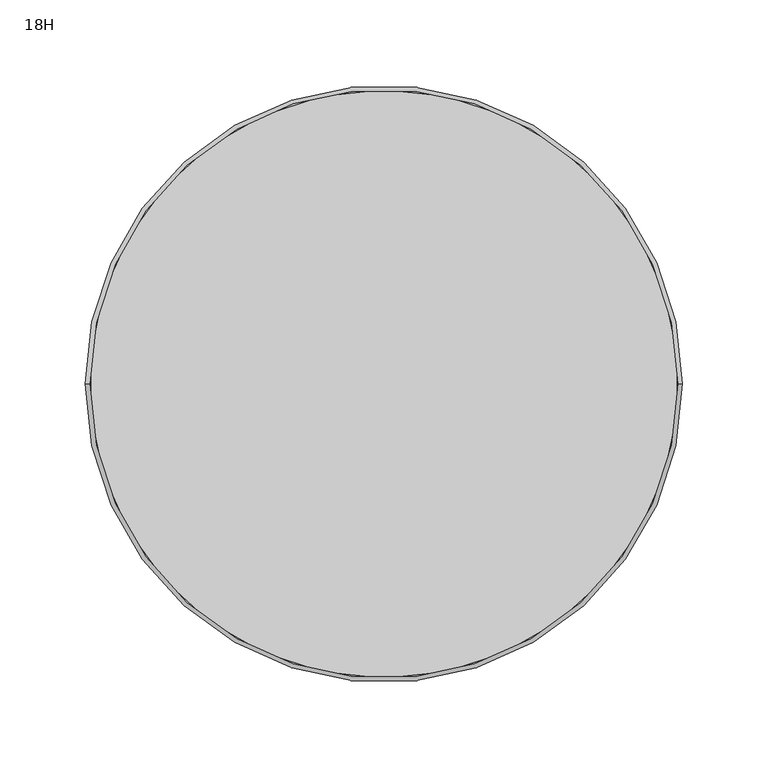
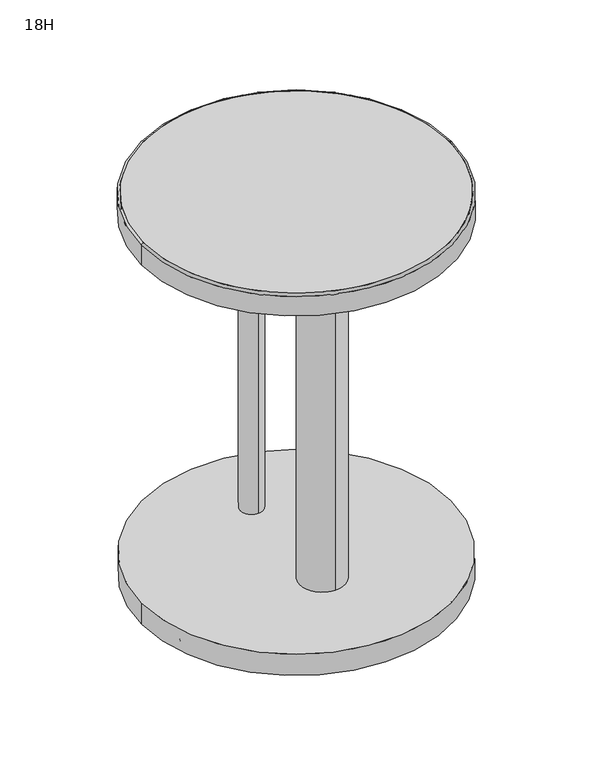
"""IFC4 building model written with IfcOpenShell, lengths in millimetres: furniture geometry, 18H."""

from ifc_helpers import new_model, si_unit, point, frame, frame_2d, origin, origin_2d, place, context, project, spatial, polyline, circle_curve, ellipse_curve, trimmed, segment, composite_curve, outline, extrude, source, transform, mapped, element, save
from ifc_brep_helpers import plane_surface, cylinder_surface, revolved_surface, advanced_brep


def furniture_18h_a665fdf1(model_context):
    return source(origin(), model_context, "Body", "SolidModel", [
        advanced_brep(
        [(84.8724489, 116.9590104, 0.0), (69.0291209, 116.9590104, 0.0), (100.7157769, 116.9590104, 0.0), (67.6253483, 116.9590104, 1.5378487), (102.1195496, 116.9590104, 1.5378487), (67.6253483, 116.9590104, 3.3846771), (102.1195496, 116.9590104, 3.3846771), (84.8724489, 116.9590104, 3.3846771)],
        [
            (0, 1),
            (1, 2, circle_curve(frame((84.8724489, 116.9590104, 0.0), z_axis=(0.0, 0.0, -1.0), x_axis=(-1.0, 0.0, 0.0)), 15.843328)),
            (2, 0),
            (2, 1, circle_curve(frame((84.8724489, 116.9590104, 0.0), z_axis=(0.0, 0.0, -1.0), x_axis=(-1.0, 0.0, 0.0)), 15.843328)),
            (1, 3, circle_curve(frame((69.1695998, 116.9590104, 1.5378487), z_axis=(0.0, 1.0, 0.0), x_axis=(-1.0, 0.0, 0.0)), 1.5442516)),
            (3, 4, circle_curve(frame((84.8724489, 116.9590104, 1.5378487), z_axis=(0.0, 0.0, -1.0), x_axis=(-1.0, 0.0, 0.0)), 17.2471007)),
            (4, 2, circle_curve(frame((100.575298, 116.9590104, 1.5378487), z_axis=(0.0, 1.0, 0.0), x_axis=(1.0, 0.0, 0.0)), 1.5442516)),
            (4, 3, circle_curve(frame((84.8724489, 116.9590104, 1.5378487), z_axis=(0.0, 0.0, -1.0), x_axis=(-1.0, 0.0, 0.0)), 17.2471007)),
            (3, 5),
            (5, 6, circle_curve(frame((84.8724489, 116.9590104, 3.3846771), z_axis=(0.0, 0.0, -1.0), x_axis=(-1.0, 0.0, 0.0)), 17.2471007)),
            (6, 4),
            (6, 5, circle_curve(frame((84.8724489, 116.9590104, 3.3846771), z_axis=(0.0, 0.0, -1.0), x_axis=(-1.0, 0.0, 0.0)), 17.2471007)),
            (5, 7),
            (7, 6),
        ],
        [
            plane_surface(frame((84.8724489, 116.9590104, 0.0), z_axis=(0.0, 0.0, -1.0), x_axis=(-1.0, 0.0, 0.0))),
            revolved_surface(trimmed(ellipse_curve(frame((69.1695998, 116.9590104, 1.5378487), z_axis=(0.0, -1.0, 0.0), x_axis=(-1.0, 0.0, 0.0)), 1.5442516, 1.5442516), [point((67.6253483, 116.9590104, 1.5378487))], [point((69.0291209, 116.9590104, 0.0))], True, "CARTESIAN"), (84.8724489, 116.9590104, 0.0), (0.0, 0.0, -1.0)),
            cylinder_surface(frame((84.8724489, 116.9590104, 0.0), z_axis=(0.0, 0.0, -1.0), x_axis=(-1.0, 0.0, 0.0)), 17.2471007),
            plane_surface(frame((84.8724489, 116.9590104, 3.3846771), z_axis=(0.0, 0.0, 1.0), x_axis=(-1.0, 0.0, 0.0))),
        ],
        [
            (0, [[1, 2, 3]]),
            (0, [[-3, 4, -1]]),
            (1, [[-2, 5, 6, 7]]),
            (1, [[-4, -7, 8, -5]]),
            (2, [[-6, 9, 10, 11]]),
            (2, [[-8, -11, 12, -9]]),
            (3, [[-10, 13, 14]]),
            (3, [[-12, -14, -13]]),
        ],
    ),
        advanced_brep(
        [(-100.7157769, 116.9590104, 0.0), (-69.0291209, 116.9590104, 0.0), (-84.8724489, 116.9590104, 0.0), (-102.1195496, 116.9590104, 1.5378487), (-67.6253483, 116.9590104, 1.5378487), (-102.1195496, 116.9590104, 3.3846771), (-67.6253483, 116.9590104, 3.3846771), (-84.8724489, 116.9590104, 3.3846771)],
        [
            (0, 1, circle_curve(frame((-84.8724489, 116.9590104, 0.0), z_axis=(0.0, 0.0, -1.0), x_axis=(1.0, 0.0, 0.0)), 15.843328)),
            (1, 2),
            (2, 0),
            (1, 0, circle_curve(frame((-84.8724489, 116.9590104, 0.0), z_axis=(0.0, 0.0, -1.0), x_axis=(1.0, 0.0, 0.0)), 15.843328)),
            (3, 4, circle_curve(frame((-84.8724489, 116.9590104, 1.5378487), z_axis=(0.0, 0.0, -1.0), x_axis=(1.0, 0.0, 0.0)), 17.2471007)),
            (4, 1, circle_curve(frame((-69.1695998, 116.9590104, 1.5378487), z_axis=(0.0, 1.0, 0.0), x_axis=(1.0, 0.0, 0.0)), 1.5442516)),
            (0, 3, circle_curve(frame((-100.575298, 116.9590104, 1.5378487), z_axis=(0.0, 1.0, 0.0), x_axis=(-1.0, 0.0, 0.0)), 1.5442516)),
            (4, 3, circle_curve(frame((-84.8724489, 116.9590104, 1.5378487), z_axis=(0.0, 0.0, -1.0), x_axis=(1.0, 0.0, 0.0)), 17.2471007)),
            (5, 6, circle_curve(frame((-84.8724489, 116.9590104, 3.3846771), z_axis=(0.0, 0.0, -1.0), x_axis=(1.0, 0.0, 0.0)), 17.2471007)),
            (6, 4),
            (3, 5),
            (6, 5, circle_curve(frame((-84.8724489, 116.9590104, 3.3846771), z_axis=(0.0, 0.0, -1.0), x_axis=(1.0, 0.0, 0.0)), 17.2471007)),
            (7, 6),
            (5, 7),
        ],
        [
            plane_surface(frame((-84.8724489, 116.9590104, 0.0), z_axis=(0.0, 0.0, -1.0), x_axis=(1.0, 0.0, 0.0))),
            revolved_surface(trimmed(ellipse_curve(frame((-69.1695998, 116.9590104, 1.5378487), z_axis=(0.0, -1.0, 0.0), x_axis=(1.0, 0.0, 0.0)), 1.5442516, 1.5442516), [point((-69.0291209, 116.9590104, 0.0))], [point((-67.6253483, 116.9590104, 1.5378487))], True, "CARTESIAN"), (-84.8724489, 116.9590104, 0.0), (0.0, 0.0, 1.0)),
            cylinder_surface(frame((-84.8724489, 116.9590104, 0.0), z_axis=(0.0, 0.0, 1.0), x_axis=(1.0, 0.0, 0.0)), 17.2471007),
            plane_surface(frame((-84.8724489, 116.9590104, 3.3846771), z_axis=(0.0, 0.0, 1.0), x_axis=(1.0, 0.0, 0.0))),
        ],
        [
            (0, [[1, 2, 3]]),
            (0, [[4, -3, -2]]),
            (1, [[5, 6, -1, 7]]),
            (1, [[8, -7, -4, -6]]),
            (2, [[9, 10, -5, 11]]),
            (2, [[12, -11, -8, -10]]),
            (3, [[13, -9, 14]]),
            (3, [[-14, -12, -13]]),
        ],
    ),
        advanced_brep(
        [(121.4898977, -44.5285164, 0.0), (153.1765537, -44.5285164, 0.0), (137.3332257, -44.5285164, 0.0), (120.086125, -44.5285164, 1.5378487), (154.5803263, -44.5285164, 1.5378487), (120.086125, -44.5285164, 3.3846771), (154.5803263, -44.5285164, 3.3846771), (137.3332257, -44.5285164, 3.3846771)],
        [
            (0, 1, circle_curve(frame((137.3332257, -44.5285164, 0.0), z_axis=(0.0, 0.0, -1.0), x_axis=(1.0, 0.0, 0.0)), 15.843328)),
            (1, 2),
            (2, 0),
            (1, 0, circle_curve(frame((137.3332257, -44.5285164, 0.0), z_axis=(0.0, 0.0, -1.0), x_axis=(1.0, 0.0, 0.0)), 15.843328)),
            (3, 4, circle_curve(frame((137.3332257, -44.5285164, 1.5378487), z_axis=(0.0, 0.0, -1.0), x_axis=(1.0, 0.0, 0.0)), 17.2471007)),
            (4, 1, circle_curve(frame((153.0360747, -44.5285164, 1.5378487), z_axis=(0.0, 1.0, 0.0), x_axis=(1.0, 0.0, 0.0)), 1.5442516)),
            (0, 3, circle_curve(frame((121.6303766, -44.5285164, 1.5378487), z_axis=(0.0, 1.0, 0.0), x_axis=(-1.0, 0.0, 0.0)), 1.5442516)),
            (4, 3, circle_curve(frame((137.3332257, -44.5285164, 1.5378487), z_axis=(0.0, 0.0, -1.0), x_axis=(1.0, 0.0, 0.0)), 17.2471007)),
            (5, 6, circle_curve(frame((137.3332257, -44.5285164, 3.3846771), z_axis=(0.0, 0.0, -1.0), x_axis=(1.0, 0.0, 0.0)), 17.2471007)),
            (6, 4),
            (3, 5),
            (6, 5, circle_curve(frame((137.3332257, -44.5285164, 3.3846771), z_axis=(0.0, 0.0, -1.0), x_axis=(1.0, 0.0, 0.0)), 17.2471007)),
            (7, 6),
            (5, 7),
        ],
        [
            plane_surface(frame((137.3332257, -44.5285164, 0.0), z_axis=(0.0, 0.0, -1.0), x_axis=(1.0, 0.0, 0.0))),
            revolved_surface(trimmed(ellipse_curve(frame((153.0360747, -44.5285164, 1.5378487), z_axis=(0.0, -1.0, 0.0), x_axis=(1.0, 0.0, 0.0)), 1.5442516, 1.5442516), [point((153.1765537, -44.5285164, 0.0))], [point((154.5803263, -44.5285164, 1.5378487))], True, "CARTESIAN"), (137.3332257, -44.5285164, 0.0), (0.0, 0.0, 1.0)),
            cylinder_surface(frame((137.3332257, -44.5285164, 0.0), z_axis=(0.0, 0.0, 1.0), x_axis=(1.0, 0.0, 0.0)), 17.2471007),
            plane_surface(frame((137.3332257, -44.5285164, 3.3846771), z_axis=(0.0, 0.0, 1.0), x_axis=(1.0, 0.0, 0.0))),
        ],
        [
            (0, [[1, 2, 3]]),
            (0, [[4, -3, -2]]),
            (1, [[5, 6, -1, 7]]),
            (1, [[8, -7, -4, -6]]),
            (2, [[9, 10, -5, 11]]),
            (2, [[12, -11, -8, -10]]),
            (3, [[13, -9, 14]]),
            (3, [[-14, -12, -13]]),
        ],
    ),
        advanced_brep(
        [(-15.843328, -144.3827037, 0.0), (15.843328, -144.3827037, 0.0), (0.0, -144.3827037, 0.0), (-17.2471007, -144.3827037, 1.5378487), (17.2471007, -144.3827037, 1.5378487), (-17.2471007, -144.3827037, 3.3846771), (17.2471007, -144.3827037, 3.3846771), (0.0, -144.3827037, 3.3846771)],
        [
            (0, 1, circle_curve(frame((0.0, -144.3827037, 0.0), z_axis=(0.0, 0.0, -1.0), x_axis=(1.0, 0.0, 0.0)), 15.843328)),
            (1, 2),
            (2, 0),
            (1, 0, circle_curve(frame((0.0, -144.3827037, 0.0), z_axis=(0.0, 0.0, -1.0), x_axis=(1.0, 0.0, 0.0)), 15.843328)),
            (3, 4, circle_curve(frame((0.0, -144.3827037, 1.5378487), z_axis=(0.0, 0.0, -1.0), x_axis=(1.0, 0.0, 0.0)), 17.2471007)),
            (4, 1, circle_curve(frame((15.7028491, -144.3827037, 1.5378487), z_axis=(0.0, 1.0, 0.0), x_axis=(1.0, 0.0, 0.0)), 1.5442516)),
            (0, 3, circle_curve(frame((-15.7028491, -144.3827037, 1.5378487), z_axis=(0.0, 1.0, 0.0), x_axis=(-1.0, 0.0, 0.0)), 1.5442516)),
            (4, 3, circle_curve(frame((0.0, -144.3827037, 1.5378487), z_axis=(0.0, 0.0, -1.0), x_axis=(1.0, 0.0, 0.0)), 17.2471007)),
            (5, 6, circle_curve(frame((0.0, -144.3827037, 3.3846771), z_axis=(0.0, 0.0, -1.0), x_axis=(1.0, 0.0, 0.0)), 17.2471007)),
            (6, 4),
            (3, 5),
            (6, 5, circle_curve(frame((0.0, -144.3827037, 3.3846771), z_axis=(0.0, 0.0, -1.0), x_axis=(1.0, 0.0, 0.0)), 17.2471007)),
            (7, 6),
            (5, 7),
        ],
        [
            plane_surface(frame((0.0, -144.3827037, 0.0), z_axis=(0.0, 0.0, -1.0), x_axis=(1.0, 0.0, 0.0))),
            revolved_surface(trimmed(ellipse_curve(frame((15.7028491, -144.3827037, 1.5378487), z_axis=(0.0, -1.0, 0.0), x_axis=(1.0, 0.0, 0.0)), 1.5442516, 1.5442516), [point((15.843328, -144.3827037, 0.0))], [point((17.2471007, -144.3827037, 1.5378487))], True, "CARTESIAN"), (0.0, -144.3827037, 0.0), (0.0, 0.0, 1.0)),
            cylinder_surface(frame((0.0, -144.3827037, 0.0), z_axis=(0.0, 0.0, 1.0), x_axis=(1.0, 0.0, 0.0)), 17.2471007),
            plane_surface(frame((0.0, -144.3827037, 3.3846771), z_axis=(0.0, 0.0, 1.0), x_axis=(1.0, 0.0, 0.0))),
        ],
        [
            (0, [[1, 2, 3]]),
            (0, [[4, -3, -2]]),
            (1, [[5, 6, -1, 7]]),
            (1, [[8, -7, -4, -6]]),
            (2, [[9, 10, -5, 11]]),
            (2, [[12, -11, -8, -10]]),
            (3, [[13, -9, 14]]),
            (3, [[-14, -12, -13]]),
        ],
    ),
        advanced_brep(
        [(-153.2341919, -44.6413365, 0.0), (-121.5475359, -44.6413365, 0.0), (-137.3908639, -44.6413365, 0.0), (-154.6379645, -44.6413365, 1.5378487), (-120.1437632, -44.6413365, 1.5378487), (-154.6379645, -44.6413365, 3.3846771), (-120.1437632, -44.6413365, 3.3846771), (-137.3908639, -44.6413365, 3.3846771)],
        [
            (0, 1, circle_curve(frame((-137.3908639, -44.6413365, 0.0), z_axis=(0.0, 0.0, -1.0), x_axis=(1.0, 0.0, 0.0)), 15.843328)),
            (1, 2),
            (2, 0),
            (1, 0, circle_curve(frame((-137.3908639, -44.6413365, 0.0), z_axis=(0.0, 0.0, -1.0), x_axis=(1.0, 0.0, 0.0)), 15.843328)),
            (3, 4, circle_curve(frame((-137.3908639, -44.6413365, 1.5378487), z_axis=(0.0, 0.0, -1.0), x_axis=(1.0, 0.0, 0.0)), 17.2471007)),
            (4, 1, circle_curve(frame((-121.6880148, -44.6413365, 1.5378487), z_axis=(0.0, 1.0, 0.0), x_axis=(1.0, 0.0, 0.0)), 1.5442516)),
            (0, 3, circle_curve(frame((-153.093713, -44.6413365, 1.5378487), z_axis=(0.0, 1.0, 0.0), x_axis=(-1.0, 0.0, 0.0)), 1.5442516)),
            (4, 3, circle_curve(frame((-137.3908639, -44.6413365, 1.5378487), z_axis=(0.0, 0.0, -1.0), x_axis=(1.0, 0.0, 0.0)), 17.2471007)),
            (5, 6, circle_curve(frame((-137.3908639, -44.6413365, 3.3846771), z_axis=(0.0, 0.0, -1.0), x_axis=(1.0, 0.0, 0.0)), 17.2471007)),
            (6, 4),
            (3, 5),
            (6, 5, circle_curve(frame((-137.3908639, -44.6413365, 3.3846771), z_axis=(0.0, 0.0, -1.0), x_axis=(1.0, 0.0, 0.0)), 17.2471007)),
            (7, 6),
            (5, 7),
        ],
        [
            plane_surface(frame((-137.3908639, -44.6413365, 0.0), z_axis=(0.0, 0.0, -1.0), x_axis=(1.0, 0.0, 0.0))),
            revolved_surface(trimmed(ellipse_curve(frame((-121.6880148, -44.6413365, 1.5378487), z_axis=(0.0, -1.0, 0.0), x_axis=(1.0, 0.0, 0.0)), 1.5442516, 1.5442516), [point((-121.5475359, -44.6413365, 0.0))], [point((-120.1437632, -44.6413365, 1.5378487))], True, "CARTESIAN"), (-137.3908639, -44.6413365, 0.0), (0.0, 0.0, 1.0)),
            cylinder_surface(frame((-137.3908639, -44.6413365, 0.0), z_axis=(0.0, 0.0, 1.0), x_axis=(1.0, 0.0, 0.0)), 17.2471007),
            plane_surface(frame((-137.3908639, -44.6413365, 3.3846771), z_axis=(0.0, 0.0, 1.0), x_axis=(1.0, 0.0, 0.0))),
        ],
        [
            (0, [[1, 2, 3]]),
            (0, [[4, -3, -2]]),
            (1, [[5, 6, -1, 7]]),
            (1, [[8, -7, -4, -6]]),
            (2, [[9, 10, -5, 11]]),
            (2, [[12, -11, -8, -10]]),
            (3, [[13, -9, 14]]),
            (3, [[-14, -12, -13]]),
        ],
    ),
        advanced_brep(
        [(-174.625, 0.0, 454.2092953), (174.625, 0.0, 454.2092953), (174.625, 0.0, 431.2043042), (-174.625, 0.0, 431.2043042), (-172.2126585, 0.0, 456.6216369), (172.2126585, 0.0, 456.6216369), (-172.2126585, 0.0, 431.2043042), (172.2126585, 0.0, 431.2043042)],
        [
            (0, 1, circle_curve(frame((0.0, 0.0, 454.2092953), z_axis=(0.0, 0.0, -1.0), x_axis=(1.0, 0.0, 0.0)), 174.625)),
            (1, 2),
            (2, 3, circle_curve(frame((0.0, 0.0, 431.2043042), z_axis=(0.0, 0.0, 1.0), x_axis=(1.0, 0.0, 0.0)), 174.625)),
            (3, 0),
            (4, 5, circle_curve(frame((0.0, 0.0, 456.6216369), z_axis=(0.0, 0.0, -1.0), x_axis=(1.0, 0.0, 0.0)), 172.2126585)),
            (5, 1, circle_curve(frame((172.2126585, 0.0, 454.2092953), z_axis=(0.0, 1.0, 0.0), x_axis=(-1.0, 0.0, 0.0)), 2.4123415)),
            (0, 4, circle_curve(frame((-172.2126585, 0.0, 454.2092953), z_axis=(0.0, 1.0, 0.0), x_axis=(1.0, 0.0, 0.0)), 2.4123415)),
            (6, 7, circle_curve(frame((0.0, 0.0, 431.2043042), z_axis=(0.0, 0.0, -1.0), x_axis=(1.0, 0.0, 0.0)), 172.2126585)),
            (7, 5),
            (4, 6),
            (2, 3, circle_curve(frame((0.0, 0.0, 431.2043042), z_axis=(0.0, 0.0, -1.0), x_axis=(-1.0, 0.0, 0.0)), 174.625)),
            (6, 7, circle_curve(frame((0.0, 0.0, 431.2043042), z_axis=(0.0, 0.0, 1.0), x_axis=(-1.0, 0.0, 0.0)), 172.2126585)),
            (1, 0, circle_curve(frame((0.0, 0.0, 454.2092953), z_axis=(0.0, 0.0, -1.0), x_axis=(-1.0, 0.0, 0.0)), 174.625)),
            (5, 4, circle_curve(frame((0.0, 0.0, 456.6216369), z_axis=(0.0, 0.0, -1.0), x_axis=(-1.0, 0.0, 0.0)), 172.2126585)),
        ],
        [
            cylinder_surface(frame((0.0, 0.0, 456.5904), z_axis=(0.0, 0.0, 1.0), x_axis=(1.0, 0.0, 0.0)), 174.625),
            revolved_surface(trimmed(ellipse_curve(frame((172.2126585, 0.0, 454.2092953), z_axis=(0.0, -1.0, 0.0), x_axis=(-1.0, 0.0, 0.0)), 2.4123415, 2.4123415), [point((174.625, 0.0, 454.2092953))], [point((172.2126585, 0.0, 456.6216369))], True, "CARTESIAN"), (0.0, 0.0, 456.5904), (0.0, 0.0, 1.0)),
            revolved_surface(polyline([(172.2126585, 0.0, 456.6216369), (172.2126585, 0.0, 431.2043042)]), (0.0, 0.0, 456.5904), (0.0, 0.0, 1.0)),
            plane_surface(frame((0.0, 0.0, 431.2043042), z_axis=(0.0, 0.0, -1.0), x_axis=(-1.0, 0.0, 0.0))),
            cylinder_surface(frame((0.0, 0.0, 456.5904), z_axis=(0.0, 0.0, 1.0), x_axis=(-1.0, 0.0, 0.0)), 174.625),
            revolved_surface(trimmed(ellipse_curve(frame((-172.2126585, 0.0, 454.2092953), z_axis=(0.0, 1.0, 0.0), x_axis=(1.0, 0.0, 0.0)), 2.4123415, 2.4123415), [point((-174.625, 0.0, 454.2092953))], [point((-172.2126585, 0.0, 456.6216369))], True, "CARTESIAN"), (0.0, 0.0, 456.5904), (0.0, 0.0, 1.0)),
            revolved_surface(polyline([(-172.2126585, 0.0, 456.6216369), (-172.2126585, 0.0, 431.2043042)]), (0.0, 0.0, 456.5904), (0.0, 0.0, 1.0)),
        ],
        [
            (0, [[1, 2, 3, 4]]),
            (1, [[5, 6, -1, 7]]),
            (2, [[8, 9, -5, 10]]),
            (3, [[11, -3], [12, -8]]),
            (4, [[13, -4, -11, -2]]),
            (5, [[14, -7, -13, -6]]),
            (6, [[-12, -10, -14, -9]]),
        ],
    ),
        extrude(outline(composite_curve([segment(trimmed(circle_curve(origin_2d(), 172.212), [point((0.0, 172.212))], [point((0.0, -172.212))], False, "CARTESIAN"), True, "CONTINUOUS"), segment(trimmed(circle_curve(origin_2d(), 172.212), [point((0.0, -172.212))], [point((0.0, 172.212))], False, "CARTESIAN"), True, "CONTINUOUS")], self_intersect=False)), frame((0.0, 0.0, 431.2043042), z_axis=(0.0, 0.0, 1.0), x_axis=(1.0, 0.0, 0.0)), (0.0, 0.0, 1.0), 25.3860958),
        extrude(outline(composite_curve([segment(trimmed(circle_curve(origin_2d(), 173.7995), [point((-173.7995, 0.0))], [point((173.7995, 0.0))], False, "CARTESIAN"), True, "CONTINUOUS"), segment(trimmed(circle_curve(origin_2d(), 173.7995), [point((173.7995, 0.0))], [point((-173.7995, 0.0))], False, "CARTESIAN"), True, "CONTINUOUS")], self_intersect=False)), frame((0.0, 0.0, 3.3846771), z_axis=(0.0, 0.0, 1.0), x_axis=(1.0, 0.0, 0.0)), (0.0, 0.0, 1.0), 25.4000008),
        extrude(outline(composite_curve([segment(trimmed(circle_curve(frame_2d((0.0, 87.376)), 12.7), [point((0.0, 100.076))], [point((0.0, 74.676))], False, "CARTESIAN"), True, "CONTINUOUS"), segment(trimmed(circle_curve(frame_2d((0.0, 87.376)), 12.7), [point((0.0, 74.676))], [point((0.0, 100.076))], False, "CARTESIAN"), True, "CONTINUOUS")], self_intersect=False)), frame((0.0, 0.0, 28.7846779), z_axis=(0.0, 0.0, 1.0), x_axis=(1.0, 0.0, 0.0)), (0.0, 0.0, 1.0), 402.4196263),
        extrude(outline(composite_curve([segment(trimmed(circle_curve(frame_2d((0.0, -50.3391875)), 25.4), [point((0.0, -24.9391875))], [point((0.0, -75.7391875))], False, "CARTESIAN"), True, "CONTINUOUS"), segment(trimmed(circle_curve(frame_2d((0.0, -50.3391875)), 25.4), [point((0.0, -75.7391875))], [point((0.0, -24.9391875))], False, "CARTESIAN"), True, "CONTINUOUS")], self_intersect=False)), frame((0.0, 0.0, 28.7846779), z_axis=(0.0, 0.0, 1.0), x_axis=(1.0, 0.0, 0.0)), (0.0, 0.0, 1.0), 402.4196263),
    ])


if __name__ == "__main__":
    model = new_model("IFC4")
    model_context = context("Model", 3, world=origin())
    ifc_project = project(units=[si_unit("LENGTHUNIT", "METRE", prefix="MILLI")], contexts=[model_context])
    site = spatial("IfcSite", under=ifc_project)
    building = spatial("IfcBuilding", under=site)
    placement = place(None, origin())
    furniture_18h_shape = furniture_18h_a665fdf1(model_context)
    element("IfcFurniture", 1, ObjectType="18H", at=placement, inside=building, context=model_context, shape_type="MappedRepresentation", body=[
        mapped(furniture_18h_shape, transform((0.0, 0.0, 0.0), x_axis=(1.0, 0.0, 0.0), y_axis=(0.0, 1.0, 0.0), z_axis=(0.0, 0.0, 1.0))),
    ])
    save(model, "model.ifc")
